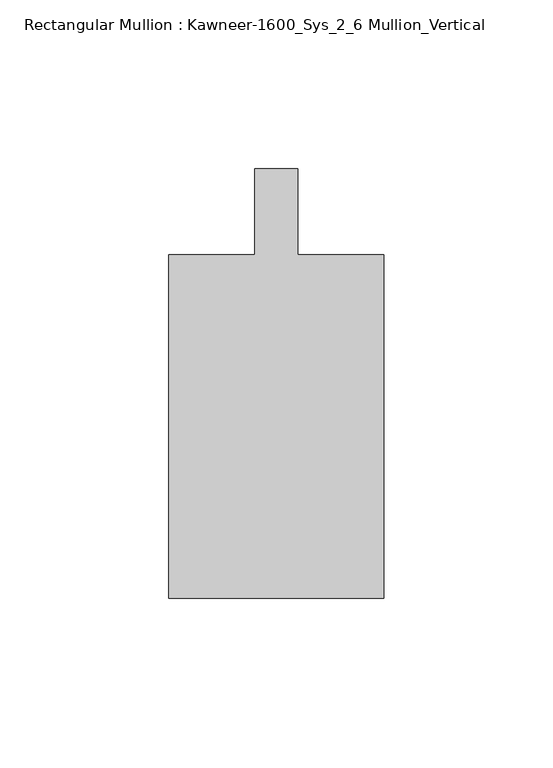
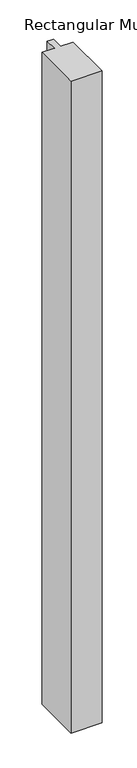
"""IFC4 building model written with IfcOpenShell, lengths in millimetres: member geometry, Rectangular Mullion : Kawneer-1600_Sys_2_6 Mullion_Vertical."""

from ifc_helpers import new_model, si_unit, frame, origin, place, context, project, spatial, polyline, outline, extrude, source, transform, mapped, element, save


def rectangular_mullion_kawneer_1600_sys_2_6_mullion_vertical_ae1f66ce(model_context):
    return source(origin(), model_context, "Body", "SweptSolid", [
        extrude(outline(polyline([(36.0844027, -114.3), (-27.4155973, -114.3), (-27.4155973, -12.7), (-2.0155973, -12.7), (-2.0155973, 12.7), (10.6844027, 12.7), (10.6844027, -12.7), (36.0844027, -12.7), (36.0844027, -114.3)])), frame((0.0, 0.0, -1399.54), z_axis=(0.0, 0.0, 1.0), x_axis=(1.0, 0.0, 0.0)), (0.0, 0.0, 1.0), 1399.54),
    ])


if __name__ == "__main__":
    model = new_model("IFC4")
    model_context = context("Model", 3, world=origin())
    ifc_project = project(units=[si_unit("LENGTHUNIT", "METRE", prefix="MILLI")], contexts=[model_context])
    site = spatial("IfcSite", under=ifc_project)
    building = spatial("IfcBuilding", under=site)
    placement = place(None, origin())
    rectangular_mullion_kawneer_1600_sys_2_6_mullion_vertical_shape = rectangular_mullion_kawneer_1600_sys_2_6_mullion_vertical_ae1f66ce(model_context)
    element("IfcMember", 1, ObjectType="Rectangular Mullion : Kawneer-1600_Sys_2_6 Mullion_Vertical", at=placement, inside=building, context=model_context, shape_type="MappedRepresentation", body=[
        mapped(rectangular_mullion_kawneer_1600_sys_2_6_mullion_vertical_shape, transform((0.0, 0.0, 0.0), x_axis=(1.0, 0.0, 0.0), y_axis=(0.0, 1.0, 0.0), z_axis=(0.0, 0.0, 1.0))),
    ])
    save(model, "model.ifc")
